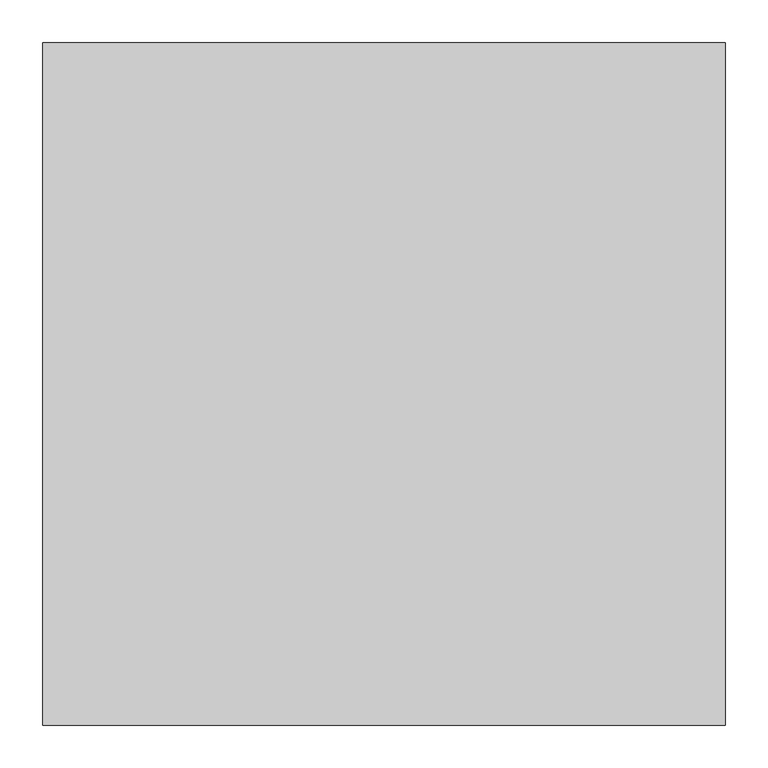
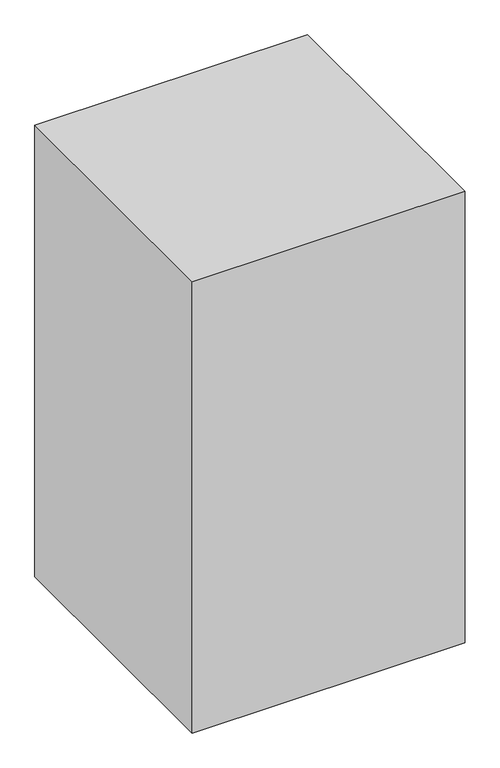
"""IFC4 building model written with IfcOpenShell, lengths in millimetres: proxy geometry."""

from ifc_helpers import new_model, si_unit, frame, origin, place, context, project, spatial, polyline, outline, extrude, source, transform, mapped, element, save


def generic_models_c8eee31e(model_context):
    return source(origin(), model_context, "Body", "SweptSolid", [
        extrude(outline(polyline([(800.0, 800.0), (800.0, 0.0), (0.0, 0.0), (0.0, 800.0), (800.0, 800.0)])), frame((0.0, 0.0, 3800.0), z_axis=(0.0, 0.0, 1.0), x_axis=(1.0, 0.0, 0.0)), (0.0, 0.0, 1.0), 1400.0),
    ])


if __name__ == "__main__":
    model = new_model("IFC4")
    model_context = context("Model", 3, world=origin())
    ifc_project = project(units=[si_unit("LENGTHUNIT", "METRE", prefix="MILLI")], contexts=[model_context])
    site = spatial("IfcSite", under=ifc_project)
    building = spatial("IfcBuilding", under=site)
    placement = place(None, origin())
    generic_models_shape = generic_models_c8eee31e(model_context)
    element("IfcBuildingElementProxy", 1, Name="Generic Models", at=placement, inside=building, context=model_context, shape_type="MappedRepresentation", body=[
        mapped(generic_models_shape, transform((0.0, 0.0, 0.0), x_axis=(1.0, 0.0, 0.0), y_axis=(0.0, 1.0, 0.0), z_axis=(0.0, 0.0, 1.0))),
    ])
    save(model, "model.ifc")
